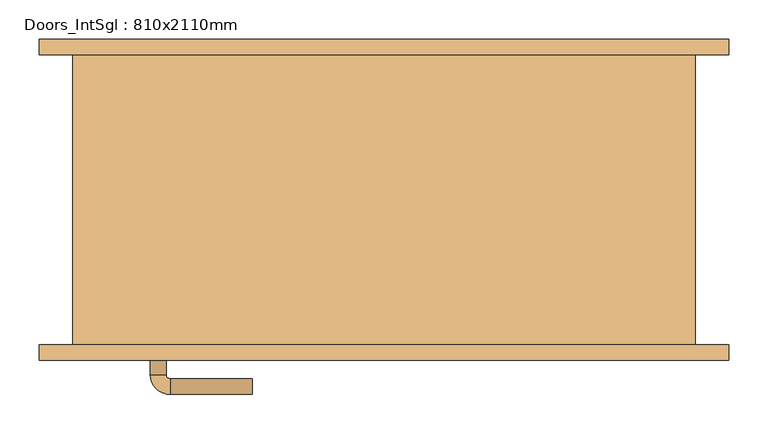
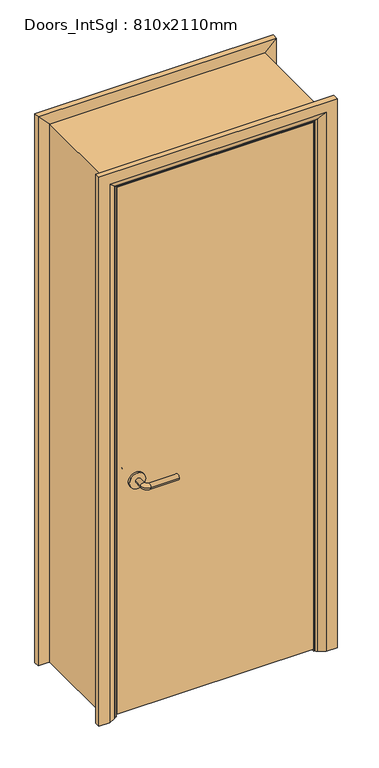
"""IFC4 building model written with IfcOpenShell, lengths in millimetres: door geometry, Doors_IntSgl : 810x2110mm."""

from ifc_helpers import new_model, si_unit, point, frame, frame_2d, origin, place, context, project, spatial, polyline, circle_curve, ellipse_curve, trimmed, segment, composite_curve, outline, extrude, faceted_brep, source, transform, mapped, element, save
from ifc_brep_helpers import plane_surface, cylinder_surface, revolved_surface, advanced_brep


def doors_intsgl_810x2110mm_f716a1ba(model_context):
    return source(origin(), model_context, "Body", "SolidModel", [
        advanced_brep(
        [(-298.0, -139.0, 900.0), (-278.0, -139.0, 900.0), (-298.0, -109.0, 900.0), (-278.0, -109.0, 900.0), (-273.0, -104.0, 900.0), (-273.0, -84.0, 900.0), (-168.0, -84.0, 900.0), (-168.0, -104.0, 900.0)],
        [
            (0, 1, circle_curve(frame((-288.0, -139.0, 900.0), z_axis=(0.0, -1.0, 0.0), x_axis=(1.0, 0.0, 0.0)), 10.0)),
            (1, 0, circle_curve(frame((-288.0, -139.0, 900.0), z_axis=(0.0, -1.0, 0.0), x_axis=(1.0, 0.0, 0.0)), 10.0)),
            (0, 2),
            (2, 3, circle_curve(frame((-288.0, -109.0, 900.0), z_axis=(0.0, -1.0, 0.0), x_axis=(1.0, 0.0, 0.0)), 10.0)),
            (3, 1),
            (3, 2, circle_curve(frame((-288.0, -109.0, 900.0), z_axis=(0.0, -1.0, 0.0), x_axis=(1.0, 0.0, 0.0)), 10.0)),
            (4, 3, circle_curve(frame((-273.0, -109.0, 900.0), z_axis=(0.0, 0.0, 1.0), x_axis=(-1.0, 0.0, 0.0)), 5.0)),
            (2, 5, circle_curve(frame((-273.0, -109.0, 900.0), z_axis=(0.0, 0.0, -1.0), x_axis=(-1.0, 0.0, 0.0)), 25.0)),
            (5, 4, circle_curve(frame((-273.0, -94.0, 900.0), z_axis=(-1.0, 0.0, 0.0), x_axis=(0.0, -1.0, 0.0)), 10.0)),
            (4, 5, circle_curve(frame((-273.0, -94.0, 900.0), z_axis=(-1.0, 0.0, 0.0), x_axis=(0.0, -1.0, 0.0)), 10.0)),
            (6, 7, circle_curve(frame((-168.0, -94.0, 900.0), z_axis=(1.0, 0.0, 0.0), x_axis=(0.0, -1.0, 0.0)), 10.0)),
            (7, 6, circle_curve(frame((-168.0, -94.0, 900.0), z_axis=(1.0, 0.0, 0.0), x_axis=(0.0, -1.0, 0.0)), 10.0)),
            (5, 6),
            (7, 4),
        ],
        [
            plane_surface(frame((-288.0, -139.0, 900.0), z_axis=(0.0, -1.0, 0.0), x_axis=(0.0, 0.0, 1.0))),
            cylinder_surface(frame((-288.0, -139.0, 900.0), z_axis=(0.0, -1.0, 0.0), x_axis=(1.0, 0.0, 0.0)), 10.0),
            revolved_surface(trimmed(ellipse_curve(frame((-288.0, -109.0, 900.0), z_axis=(0.0, -1.0, 0.0), x_axis=(1.0, 0.0, 0.0)), 10.0, 10.0), [point((-298.0, -109.0, 900.0))], [point((-278.0, -109.0, 900.0))], True, "CARTESIAN"), (-273.0, -109.0, 900.0), (0.0, 0.0, -1.0)),
            revolved_surface(trimmed(ellipse_curve(frame((-288.0, -109.0, 900.0), z_axis=(0.0, -1.0, 0.0), x_axis=(1.0, 0.0, 0.0)), 10.0, 10.0), [point((-278.0, -109.0, 900.0))], [point((-298.0, -109.0, 900.0))], True, "CARTESIAN"), (-273.0, -109.0, 900.0), (0.0, 0.0, -1.0)),
            plane_surface(frame((-168.0, -94.0, 900.0), z_axis=(1.0, 0.0, 0.0), x_axis=(0.0, 0.0, 1.0))),
            cylinder_surface(frame((-273.0, -94.0, 900.0), z_axis=(-1.0, 0.0, 0.0), x_axis=(0.0, -1.0, 0.0)), 10.0),
        ],
        [
            (0, [[1, 2]]),
            (1, [[-1, 3, 4, 5]]),
            (1, [[-2, -5, 6, -3]]),
            (2, [[7, -4, 8, 9]]),
            (3, [[-8, -6, -7, 10]]),
            (4, [[11, 12]]),
            (5, [[-9, 13, -12, 14]]),
            (5, [[-10, -14, -11, -13]]),
        ],
    ),
        extrude(outline(composite_curve([segment(trimmed(circle_curve(frame_2d((900.0, -290.5)), 30.0), [point((900.0, -320.5))], [point((900.0, -260.5))], False, "CARTESIAN"), True, "CONTINUOUS"), segment(trimmed(circle_curve(frame_2d((900.0, -290.5)), 30.0), [point((900.0, -260.5))], [point((900.0, -320.5))], False, "CARTESIAN"), True, "CONTINUOUS")], self_intersect=False)), frame((0.0, -147.0, 0.0), z_axis=(0.0, 1.0, 0.0), x_axis=(0.0, 0.0, 1.0)), (0.0, 0.0, 1.0), 8.0),
        advanced_brep(
        [(-298.0, -193.0, 900.0), (-278.0, -193.0, 900.0), (-278.0, -223.0, 900.0), (-298.0, -223.0, 900.0), (-273.0, -228.0, 900.0), (-273.0, -248.0, 900.0), (-168.0, -248.0, 900.0), (-168.0, -228.0, 900.0)],
        [
            (0, 1, circle_curve(frame((-288.0, -193.0, 900.0), z_axis=(0.0, 1.0, 0.0), x_axis=(1.0, 0.0, 0.0)), 10.0)),
            (1, 0, circle_curve(frame((-288.0, -193.0, 900.0), z_axis=(0.0, 1.0, 0.0), x_axis=(1.0, 0.0, 0.0)), 10.0)),
            (1, 2),
            (2, 3, circle_curve(frame((-288.0, -223.0, 900.0), z_axis=(0.0, 1.0, 0.0), x_axis=(1.0, 0.0, 0.0)), 10.0)),
            (3, 0),
            (3, 2, circle_curve(frame((-288.0, -223.0, 900.0), z_axis=(0.0, 1.0, 0.0), x_axis=(1.0, 0.0, 0.0)), 10.0)),
            (4, 5, circle_curve(frame((-273.0, -238.0, 900.0), z_axis=(-1.0, 0.0, 0.0), x_axis=(0.0, 1.0, 0.0)), 10.0)),
            (5, 3, circle_curve(frame((-273.0, -223.0, 900.0), z_axis=(0.0, 0.0, -1.0), x_axis=(-1.0, 0.0, 0.0)), 25.0)),
            (2, 4, circle_curve(frame((-273.0, -223.0, 900.0), z_axis=(0.0, 0.0, 1.0), x_axis=(-1.0, 0.0, 0.0)), 5.0)),
            (5, 4, circle_curve(frame((-273.0, -238.0, 900.0), z_axis=(-1.0, 0.0, 0.0), x_axis=(0.0, 1.0, 0.0)), 10.0)),
            (6, 7, circle_curve(frame((-168.0, -238.0, 900.0), z_axis=(1.0, 0.0, 0.0), x_axis=(0.0, 1.0, 0.0)), 10.0)),
            (7, 6, circle_curve(frame((-168.0, -238.0, 900.0), z_axis=(1.0, 0.0, 0.0), x_axis=(0.0, 1.0, 0.0)), 10.0)),
            (4, 7),
            (6, 5),
        ],
        [
            plane_surface(frame((-288.0, -193.0, 900.0), z_axis=(0.0, 1.0, 0.0), x_axis=(0.0, 0.0, 1.0))),
            cylinder_surface(frame((-288.0, -193.0, 900.0), z_axis=(0.0, 1.0, 0.0), x_axis=(1.0, 0.0, 0.0)), 10.0),
            revolved_surface(trimmed(ellipse_curve(frame((-288.0, -223.0, 900.0), z_axis=(0.0, -1.0, 0.0), x_axis=(1.0, 0.0, 0.0)), 10.0, 10.0), [point((-298.0, -223.0, 900.0))], [point((-278.0, -223.0, 900.0))], True, "CARTESIAN"), (-273.0, -223.0, 900.0), (0.0, 0.0, -1.0)),
            revolved_surface(trimmed(ellipse_curve(frame((-288.0, -223.0, 900.0), z_axis=(0.0, -1.0, 0.0), x_axis=(1.0, 0.0, 0.0)), 10.0, 10.0), [point((-278.0, -223.0, 900.0))], [point((-298.0, -223.0, 900.0))], True, "CARTESIAN"), (-273.0, -223.0, 900.0), (0.0, 0.0, -1.0)),
            plane_surface(frame((-168.0, -238.0, 900.0), z_axis=(1.0, 0.0, 0.0), x_axis=(0.0, 0.0, 1.0))),
            cylinder_surface(frame((-273.0, -238.0, 900.0), z_axis=(-1.0, 0.0, 0.0), x_axis=(0.0, 1.0, 0.0)), 10.0),
        ],
        [
            (0, [[1, 2]]),
            (1, [[3, 4, 5, -2]]),
            (1, [[-5, 6, -3, -1]]),
            (2, [[7, 8, -4, 9]]),
            (3, [[10, -9, -6, -8]]),
            (4, [[11, 12]]),
            (5, [[13, -11, 14, -7]]),
            (5, [[-14, -12, -13, -10]]),
        ],
    ),
        extrude(outline(composite_curve([segment(trimmed(circle_curve(frame_2d((900.0, -290.5)), 30.0), [point((900.0, -320.5))], [point((900.0, -260.5))], False, "CARTESIAN"), True, "CONTINUOUS"), segment(trimmed(circle_curve(frame_2d((900.0, -290.5)), 30.0), [point((900.0, -260.5))], [point((900.0, -320.5))], False, "CARTESIAN"), True, "CONTINUOUS")], self_intersect=False)), frame((0.0, -193.0, 0.0), z_axis=(0.0, 1.0, 0.0), x_axis=(0.0, 0.0, 1.0)), (0.0, 0.0, 1.0), 8.0),
        extrude(outline(polyline([(363.0, -147.0), (363.0, -185.0), (-363.0, -185.0), (-363.0, -147.0), (363.0, -147.0)])), frame((0.0, 0.0, 8.0), z_axis=(0.0, 0.0, 1.0), x_axis=(1.0, 0.0, 0.0)), (0.0, 0.0, 1.0), 2060.0),
        advanced_brep(
        [(440.0, -205.0, 0.0), (400.0, -205.0, 0.0), (374.0, -191.0, 0.0), (370.0, -185.0, 0.0), (440.0, -185.0, 0.0), (440.0, -185.0, 2145.0), (440.0, -205.0, 2145.0), (370.0, -185.0, 2075.0), (-370.0, -185.0, 2075.0), (-370.0, -185.0, 0.0), (-440.0, -185.0, 0.0), (-440.0, -185.0, 2145.0), (374.0, -191.0, 2079.0), (400.0, -205.0, 2105.0), (-440.0, -205.0, 2145.0), (-440.0, -205.0, 0.0), (-400.0, -205.0, 0.0), (-400.0, -205.0, 2105.0), (-374.0, -191.0, 2079.0), (-374.0, -191.0, 0.0)],
        [
            (0, 1),
            (1, 2),
            (2, 3, circle_curve(frame((378.0, -184.0, 0.0), z_axis=(0.0, 0.0, -1.0), x_axis=(1.0, 0.0, 0.0)), 8.0622577)),
            (3, 4),
            (4, 0),
            (4, 5),
            (5, 6),
            (6, 0),
            (3, 7),
            (7, 8),
            (8, 9),
            (9, 10),
            (10, 11),
            (11, 5),
            (2, 12),
            (12, 7, ellipse_curve(frame((378.0, -184.0, 2083.0), z_axis=(0.7071067811865475, 0.0, -0.7071067811865475), x_axis=(-0.7071067811865474, 0.0, -0.7071067811865476)), 11.4017543, 8.0622577)),
            (1, 13),
            (13, 12),
            (6, 14),
            (14, 15),
            (15, 16),
            (16, 17),
            (17, 13),
            (11, 14),
            (12, 18),
            (18, 8, ellipse_curve(frame((-378.0, -184.0, 2083.0), z_axis=(0.7071067811865475, 0.0, 0.7071067811865475), x_axis=(0.7071067811865476, 0.0, -0.7071067811865474)), 11.4017543, 8.0622577)),
            (17, 18),
            (15, 10),
            (9, 19, circle_curve(frame((-378.0, -184.0, 0.0), z_axis=(0.0, 0.0, -1.0), x_axis=(-1.0, 0.0, 0.0)), 8.0622577)),
            (19, 16),
            (18, 19),
        ],
        [
            plane_surface(frame((370.0, -185.0, 0.0), z_axis=(0.0, 0.0, -1.0), x_axis=(0.0, 1.0, 0.0))),
            plane_surface(frame((440.0, -205.0, 0.0), z_axis=(1.0, 0.0, 0.0), x_axis=(0.0, 0.0, 1.0))),
            plane_surface(frame((440.0, -185.0, 0.0), z_axis=(0.0, 1.0, 0.0), x_axis=(0.0, 0.0, 1.0))),
            cylinder_surface(frame((378.0, -184.0, 0.0), z_axis=(0.0, 0.0, -1.0), x_axis=(1.0, 0.0, 0.0)), 8.0622577),
            plane_surface(frame((374.0, -191.0, 0.0), z_axis=(-0.4740998230350126, -0.880471099922178, 0.0), x_axis=(0.0, 0.0, 1.0))),
            plane_surface(frame((400.0, -205.0, 0.0), z_axis=(0.0, -1.0, 0.0), x_axis=(0.0, 0.0, 1.0))),
            plane_surface(frame((440.0, -205.0, 2145.0), z_axis=(0.0, 0.0, 1.0), x_axis=(-1.0, 0.0, 0.0))),
            cylinder_surface(frame((370.0, -184.0, 2083.0), z_axis=(1.0, 0.0, 0.0), x_axis=(0.0, 0.0, 1.0)), 8.0622577),
            plane_surface(frame((374.0, -191.0, 2079.0), z_axis=(0.0, -0.8804710999221764, -0.4740998230350154), x_axis=(-1.0, 0.0, 0.0))),
            plane_surface(frame((-370.0, -185.0, 0.0), z_axis=(0.0, 0.0, -1.0), x_axis=(0.0, 1.0, 0.0))),
            plane_surface(frame((-440.0, -205.0, 2145.0), z_axis=(-1.0, 0.0, 0.0), x_axis=(0.0, 0.0, -1.0))),
            cylinder_surface(frame((-378.0, -184.0, 2075.0), z_axis=(0.0, 0.0, 1.0), x_axis=(-1.0, 0.0, 0.0)), 8.0622577),
            plane_surface(frame((-374.0, -191.0, 2079.0), z_axis=(0.47409982303501824, -0.8804710999221749, 0.0), x_axis=(0.0, 0.0, -1.0))),
        ],
        [
            (0, [[1, 2, 3, 4, 5]]),
            (1, [[6, 7, 8, -5]]),
            (2, [[9, 10, 11, 12, 13, 14, -6, -4]]),
            (3, [[15, 16, -9, -3]]),
            (4, [[17, 18, -15, -2]]),
            (5, [[-8, 19, 20, 21, 22, 23, -17, -1]]),
            (6, [[-14, 24, -19, -7]]),
            (7, [[25, 26, -10, -16]]),
            (8, [[-23, 27, -25, -18]]),
            (9, [[28, -12, 29, 30, -21]]),
            (10, [[-13, -28, -20, -24]]),
            (11, [[31, -29, -11, -26]]),
            (12, [[-22, -30, -31, -27]]),
        ],
    ),
        extrude(outline(polyline([(0.0, -346.0), (2051.0, -346.0), (2051.0, 346.0), (0.0, 346.0), (0.0, 365.0), (2070.0, 365.0), (2070.0, -365.0), (0.0, -365.0), (0.0, -346.0)])), frame((0.0, -145.0, 0.0), z_axis=(0.0, 1.0, 0.0), x_axis=(0.0, 0.0, 1.0)), (0.0, 0.0, 1.0), 32.0),
        advanced_brep(
        [(-440.0, 205.0, 0.0), (-400.0, 205.0, 0.0), (-374.0, 191.0, 0.0), (-370.0, 185.0, 0.0), (-440.0, 185.0, 0.0), (-440.0, 185.0, 2145.0), (-440.0, 205.0, 2145.0), (-370.0, 185.0, 2075.0), (-374.0, 191.0, 2079.0), (-400.0, 205.0, 2105.0), (440.0, 185.0, 2145.0), (440.0, 205.0, 2145.0), (370.0, 185.0, 2075.0), (374.0, 191.0, 2079.0), (400.0, 205.0, 2105.0), (440.0, 205.0, 0.0), (440.0, 185.0, 0.0), (370.0, 185.0, 0.0), (374.0, 191.0, 0.0), (400.0, 205.0, 0.0)],
        [
            (0, 1),
            (1, 2),
            (2, 3, circle_curve(frame((-378.0, 184.0, 0.0), z_axis=(0.0, 0.0, -1.0), x_axis=(-1.0, 0.0, 0.0)), 8.0622577)),
            (3, 4),
            (4, 0),
            (4, 5),
            (5, 6),
            (6, 0),
            (3, 7),
            (7, 5),
            (2, 8),
            (8, 7, ellipse_curve(frame((-378.0, 184.0, 2083.0), z_axis=(-0.7071067811865475, 0.0, -0.7071067811865475), x_axis=(0.7071067811865474, 0.0, -0.7071067811865476)), 11.4017543, 8.0622577)),
            (1, 9),
            (9, 8),
            (6, 9),
            (5, 10),
            (10, 11),
            (11, 6),
            (7, 12),
            (12, 10),
            (8, 13),
            (13, 12, ellipse_curve(frame((378.0, 184.0, 2083.0), z_axis=(-0.7071067811865475, 0.0, 0.7071067811865475), x_axis=(-0.7071067811865476, 0.0, -0.7071067811865474)), 11.4017543, 8.0622577)),
            (9, 14),
            (14, 13),
            (11, 14),
            (15, 16),
            (16, 17),
            (17, 18, circle_curve(frame((378.0, 184.0, 0.0), z_axis=(0.0, 0.0, -1.0), x_axis=(1.0, 0.0, 0.0)), 8.0622577)),
            (18, 19),
            (19, 15),
            (10, 16),
            (15, 11),
            (12, 17),
            (13, 18),
            (14, 19),
        ],
        [
            plane_surface(frame((-370.0, 257.8010989, 0.0), z_axis=(0.0, 0.0, -1.0), x_axis=(1.0, 0.0, 0.0))),
            plane_surface(frame((-440.0, 205.0, 0.0), z_axis=(-1.0, 0.0, 0.0), x_axis=(0.0, 0.0, 1.0))),
            plane_surface(frame((-440.0, 185.0, 0.0), z_axis=(0.0, -1.0, 0.0), x_axis=(0.0, 0.0, 1.0))),
            cylinder_surface(frame((-378.0, 184.0, 0.0), z_axis=(0.0, 0.0, -1.0), x_axis=(-1.0, 0.0, 0.0)), 8.0622577),
            plane_surface(frame((-374.0, 191.0, 0.0), z_axis=(0.4740998230350183, 0.8804710999221749, 0.0), x_axis=(0.0, 0.0, 1.0))),
            plane_surface(frame((-400.0, 205.0, 0.0), z_axis=(0.0, 1.0, 0.0), x_axis=(0.0, 0.0, 1.0))),
            plane_surface(frame((-440.0, 205.0, 2145.0), z_axis=(0.0, 0.0, 1.0), x_axis=(1.0, 0.0, 0.0))),
            plane_surface(frame((-440.0, 185.0, 2145.0), z_axis=(0.0, -1.0, 0.0), x_axis=(1.0, 0.0, 0.0))),
            cylinder_surface(frame((-370.0, 184.0, 2083.0), z_axis=(-1.0, 0.0, 0.0), x_axis=(0.0, 0.0, 1.0)), 8.0622577),
            plane_surface(frame((-374.0, 191.0, 2079.0), z_axis=(0.0, 0.8804710999221749, -0.4740998230350183), x_axis=(1.0, 0.0, 0.0))),
            plane_surface(frame((-400.0, 205.0, 2105.0), z_axis=(0.0, 1.0, 0.0), x_axis=(1.0, 0.0, 0.0))),
            plane_surface(frame((370.0, 257.8010989, 0.0), z_axis=(0.0, 0.0, -1.0), x_axis=(-1.0, 0.0, 0.0))),
            plane_surface(frame((440.0, 205.0, 2145.0), z_axis=(1.0, 0.0, 0.0), x_axis=(0.0, 0.0, -1.0))),
            plane_surface(frame((440.0, 185.0, 2145.0), z_axis=(0.0, -1.0, 0.0), x_axis=(0.0, 0.0, -1.0))),
            cylinder_surface(frame((378.0, 184.0, 2075.0), z_axis=(0.0, 0.0, 1.0), x_axis=(1.0, 0.0, 0.0)), 8.0622577),
            plane_surface(frame((374.0, 191.0, 2079.0), z_axis=(-0.4740998230350183, 0.8804710999221749, 0.0), x_axis=(0.0, 0.0, -1.0))),
            plane_surface(frame((400.0, 205.0, 2105.0), z_axis=(0.0, 1.0, 0.0), x_axis=(0.0, 0.0, -1.0))),
        ],
        [
            (0, [[1, 2, 3, 4, 5]]),
            (1, [[6, 7, 8, -5]]),
            (2, [[9, 10, -6, -4]]),
            (3, [[11, 12, -9, -3]]),
            (4, [[13, 14, -11, -2]]),
            (5, [[-8, 15, -13, -1]]),
            (6, [[16, 17, 18, -7]]),
            (7, [[19, 20, -16, -10]]),
            (8, [[21, 22, -19, -12]]),
            (9, [[23, 24, -21, -14]]),
            (10, [[-18, 25, -23, -15]]),
            (11, [[26, 27, 28, 29, 30]]),
            (12, [[31, -26, 32, -17]]),
            (13, [[33, -27, -31, -20]]),
            (14, [[34, -28, -33, -22]]),
            (15, [[35, -29, -34, -24]]),
            (16, [[-32, -30, -35, -25]]),
        ],
    ),
        faceted_brep([(-365.0, -185.0, 0.0), (-397.0, -185.0, 0.0), (-397.0, 185.0, 0.0), (-365.0, 185.0, 0.0), (-365.0, 185.0, 2070.0), (-365.0, -185.0, 2070.0), (-397.0, 185.0, 2102.0), (-397.0, -185.0, 2102.0), (365.0, 185.0, 2070.0), (365.0, -185.0, 2070.0), (397.0, 185.0, 2102.0), (397.0, -185.0, 2102.0), (365.0, -185.0, 0.0), (365.0, 185.0, 0.0), (397.0, 185.0, 0.0), (397.0, -185.0, 0.0)], [[[0, 1, 2, 3]], [[3, 4, 5, 0]], [[2, 6, 4, 3]], [[1, 7, 6, 2]], [[0, 5, 7, 1]], [[4, 8, 9, 5]], [[6, 10, 8, 4]], [[7, 11, 10, 6]], [[5, 9, 11, 7]], [[12, 13, 14, 15]], [[8, 13, 12, 9]], [[10, 14, 13, 8]], [[11, 15, 14, 10]], [[9, 12, 15, 11]]]),
    ])


if __name__ == "__main__":
    model = new_model("IFC4")
    model_context = context("Model", 3, world=origin())
    ifc_project = project(units=[si_unit("LENGTHUNIT", "METRE", prefix="MILLI")], contexts=[model_context])
    site = spatial("IfcSite", under=ifc_project)
    building = spatial("IfcBuilding", under=site)
    placement = place(None, origin())
    doors_intsgl_810x2110mm_shape = doors_intsgl_810x2110mm_f716a1ba(model_context)
    element("IfcDoor", 1, ObjectType="Doors_IntSgl : 810x2110mm", at=placement, inside=building, context=model_context, shape_type="MappedRepresentation", body=[
        mapped(doors_intsgl_810x2110mm_shape, transform((0.0, 0.0, 0.0), x_axis=(1.0, 0.0, 0.0), y_axis=(0.0, 1.0, 0.0), z_axis=(0.0, 0.0, 1.0))),
    ])
    save(model, "model.ifc")
